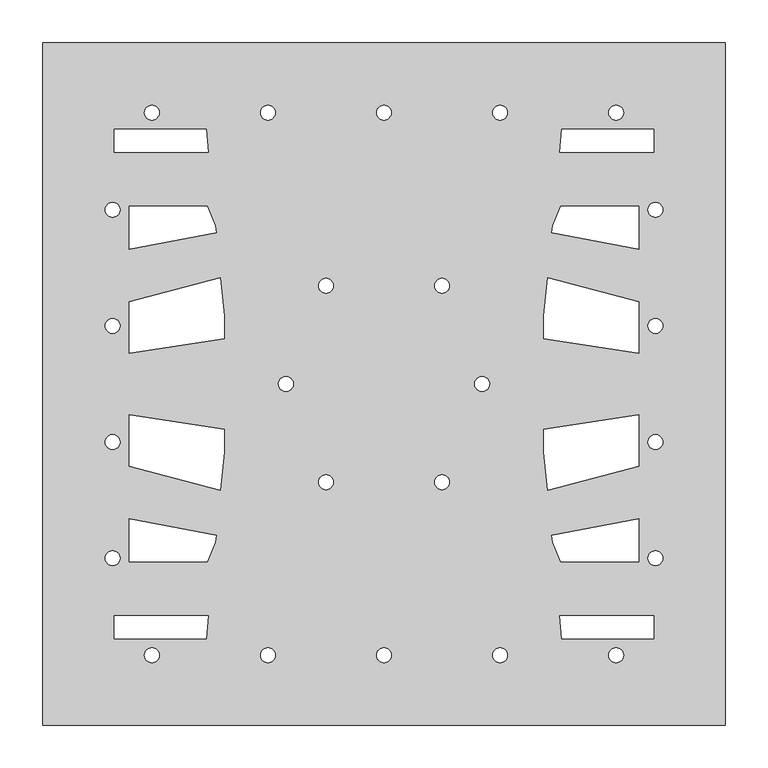
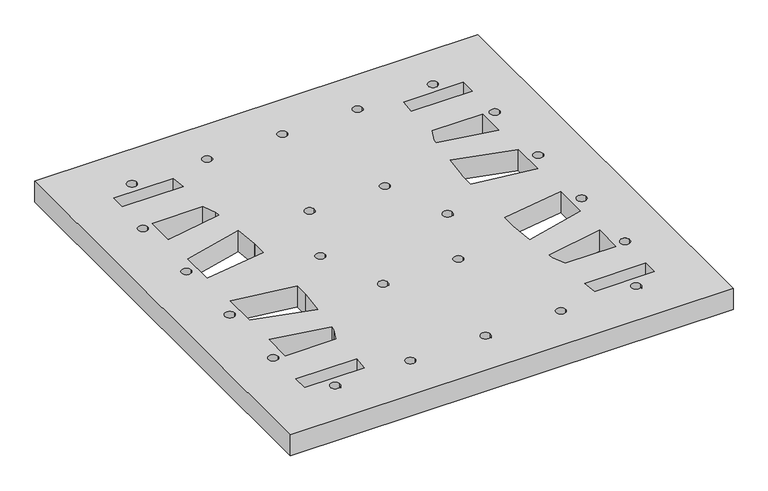
"""IFC4 building model written with IfcOpenShell, lengths in millimetres: proxy geometry."""

from ifc_helpers import new_model, si_unit, point, frame_2d, origin, origin_with_axes, place, context, project, spatial, polyline, circle_curve, trimmed, segment, composite_curve, outline, extrude, source, transform, mapped, element, save


def specialty_equipment_c3f35cbe(model_context):
    return source(origin(), model_context, "Body", "SweptSolid", [
        extrude(outline(polyline([(-757.5, 400.0), (-757.5, -400.0), (-1557.5, -400.0), (-1557.5, 400.0), (-757.5, 400.0)]), holes=[composite_curve([segment(trimmed(circle_curve(frame_2d((-839.5, 204.0)), 8.694), [point((-848.194, 204.0))], [point((-830.806, 204.0))], True, "CARTESIAN"), True, "CONTINUOUS"), segment(trimmed(circle_curve(frame_2d((-839.5, 204.0)), 8.694), [point((-830.806, 204.0))], [point((-848.194, 204.0))], True, "CARTESIAN"), True, "CONTINUOUS")], self_intersect=False), composite_curve([segment(trimmed(circle_curve(frame_2d((-839.5, 68.0)), 8.694), [point((-848.194, 68.0))], [point((-830.806, 68.0))], True, "CARTESIAN"), True, "CONTINUOUS"), segment(trimmed(circle_curve(frame_2d((-839.5, 68.0)), 8.694), [point((-830.806, 68.0))], [point((-848.194, 68.0))], True, "CARTESIAN"), True, "CONTINUOUS")], self_intersect=False), composite_curve([segment(trimmed(circle_curve(frame_2d((-839.5, -68.0)), 8.694), [point((-848.194, -68.0))], [point((-830.806, -68.0))], True, "CARTESIAN"), True, "CONTINUOUS"), segment(trimmed(circle_curve(frame_2d((-839.5, -68.0)), 8.694), [point((-830.806, -68.0))], [point((-848.194, -68.0))], True, "CARTESIAN"), True, "CONTINUOUS")], self_intersect=False), composite_curve([segment(trimmed(circle_curve(frame_2d((-839.5, -204.0)), 8.694), [point((-848.194, -204.0))], [point((-830.806, -204.0))], True, "CARTESIAN"), True, "CONTINUOUS"), segment(trimmed(circle_curve(frame_2d((-839.5, -204.0)), 8.694), [point((-830.806, -204.0))], [point((-848.194, -204.0))], True, "CARTESIAN"), True, "CONTINUOUS")], self_intersect=False), composite_curve([segment(trimmed(circle_curve(frame_2d((-885.5, 318.0)), 8.694), [point((-894.194, 318.0))], [point((-876.806, 318.0))], True, "CARTESIAN"), True, "CONTINUOUS"), segment(trimmed(circle_curve(frame_2d((-885.5, 318.0)), 8.694), [point((-876.806, 318.0))], [point((-894.194, 318.0))], True, "CARTESIAN"), True, "CONTINUOUS")], self_intersect=False), composite_curve([segment(trimmed(circle_curve(frame_2d((-885.5, -318.0)), 8.694), [point((-894.194, -318.0))], [point((-876.806, -318.0))], True, "CARTESIAN"), True, "CONTINUOUS"), segment(trimmed(circle_curve(frame_2d((-885.5, -318.0)), 8.694), [point((-876.806, -318.0))], [point((-894.194, -318.0))], True, "CARTESIAN"), True, "CONTINUOUS")], self_intersect=False), composite_curve([segment(trimmed(circle_curve(frame_2d((-1021.5, 318.0)), 8.694), [point((-1030.194, 318.0))], [point((-1012.806, 318.0))], True, "CARTESIAN"), True, "CONTINUOUS"), segment(trimmed(circle_curve(frame_2d((-1021.5, 318.0)), 8.694), [point((-1012.806, 318.0))], [point((-1030.194, 318.0))], True, "CARTESIAN"), True, "CONTINUOUS")], self_intersect=False), composite_curve([segment(trimmed(circle_curve(frame_2d((-1021.5, -318.0)), 8.694), [point((-1030.194, -318.0))], [point((-1012.806, -318.0))], True, "CARTESIAN"), True, "CONTINUOUS"), segment(trimmed(circle_curve(frame_2d((-1021.5, -318.0)), 8.694), [point((-1012.806, -318.0))], [point((-1030.194, -318.0))], True, "CARTESIAN"), True, "CONTINUOUS")], self_intersect=False), composite_curve([segment(trimmed(circle_curve(frame_2d((-1042.5, 0.0)), 8.694), [point((-1051.194, 0.0))], [point((-1033.806, 0.0))], True, "CARTESIAN"), True, "CONTINUOUS"), segment(trimmed(circle_curve(frame_2d((-1042.5, 0.0)), 8.694), [point((-1033.806, 0.0))], [point((-1051.194, 0.0))], True, "CARTESIAN"), True, "CONTINUOUS")], self_intersect=False), composite_curve([segment(trimmed(circle_curve(frame_2d((-1089.5, -115.0)), 8.694), [point((-1098.194, -115.0))], [point((-1080.806, -115.0))], True, "CARTESIAN"), True, "CONTINUOUS"), segment(trimmed(circle_curve(frame_2d((-1089.5, -115.0)), 8.694), [point((-1080.806, -115.0))], [point((-1098.194, -115.0))], True, "CARTESIAN"), True, "CONTINUOUS")], self_intersect=False), composite_curve([segment(trimmed(circle_curve(frame_2d((-1089.5, 115.0)), 8.694), [point((-1098.194, 115.0))], [point((-1080.806, 115.0))], True, "CARTESIAN"), True, "CONTINUOUS"), segment(trimmed(circle_curve(frame_2d((-1089.5, 115.0)), 8.694), [point((-1080.806, 115.0))], [point((-1098.194, 115.0))], True, "CARTESIAN"), True, "CONTINUOUS")], self_intersect=False), composite_curve([segment(trimmed(circle_curve(frame_2d((-1157.5, 318.0)), 8.694), [point((-1166.194, 318.0))], [point((-1148.806, 318.0))], True, "CARTESIAN"), True, "CONTINUOUS"), segment(trimmed(circle_curve(frame_2d((-1157.5, 318.0)), 8.694), [point((-1148.806, 318.0))], [point((-1166.194, 318.0))], True, "CARTESIAN"), True, "CONTINUOUS")], self_intersect=False), composite_curve([segment(trimmed(circle_curve(frame_2d((-1157.5, -318.0)), 8.694), [point((-1166.194, -318.0))], [point((-1148.806, -318.0))], True, "CARTESIAN"), True, "CONTINUOUS"), segment(trimmed(circle_curve(frame_2d((-1157.5, -318.0)), 8.694), [point((-1148.806, -318.0))], [point((-1166.194, -318.0))], True, "CARTESIAN"), True, "CONTINUOUS")], self_intersect=False), composite_curve([segment(trimmed(circle_curve(frame_2d((-1225.5, -115.0)), 8.694), [point((-1234.194, -115.0))], [point((-1216.806, -115.0))], True, "CARTESIAN"), True, "CONTINUOUS"), segment(trimmed(circle_curve(frame_2d((-1225.5, -115.0)), 8.694), [point((-1216.806, -115.0))], [point((-1234.194, -115.0))], True, "CARTESIAN"), True, "CONTINUOUS")], self_intersect=False), composite_curve([segment(trimmed(circle_curve(frame_2d((-1225.5, 115.0)), 8.694), [point((-1234.194, 115.0))], [point((-1216.806, 115.0))], True, "CARTESIAN"), True, "CONTINUOUS"), segment(trimmed(circle_curve(frame_2d((-1225.5, 115.0)), 8.694), [point((-1216.806, 115.0))], [point((-1234.194, 115.0))], True, "CARTESIAN"), True, "CONTINUOUS")], self_intersect=False), composite_curve([segment(trimmed(circle_curve(frame_2d((-1272.5, 0.0)), 8.694), [point((-1281.194, 0.0))], [point((-1263.806, 0.0))], True, "CARTESIAN"), True, "CONTINUOUS"), segment(trimmed(circle_curve(frame_2d((-1272.5, 0.0)), 8.694), [point((-1263.806, 0.0))], [point((-1281.194, 0.0))], True, "CARTESIAN"), True, "CONTINUOUS")], self_intersect=False), composite_curve([segment(trimmed(circle_curve(frame_2d((-1293.5, 318.0)), 8.694), [point((-1302.194, 318.0))], [point((-1284.806, 318.0))], True, "CARTESIAN"), True, "CONTINUOUS"), segment(trimmed(circle_curve(frame_2d((-1293.5, 318.0)), 8.694), [point((-1284.806, 318.0))], [point((-1302.194, 318.0))], True, "CARTESIAN"), True, "CONTINUOUS")], self_intersect=False), composite_curve([segment(trimmed(circle_curve(frame_2d((-1293.5, -318.0)), 8.694), [point((-1302.194, -318.0))], [point((-1284.806, -318.0))], True, "CARTESIAN"), True, "CONTINUOUS"), segment(trimmed(circle_curve(frame_2d((-1293.5, -318.0)), 8.694), [point((-1284.806, -318.0))], [point((-1302.194, -318.0))], True, "CARTESIAN"), True, "CONTINUOUS")], self_intersect=False), composite_curve([segment(trimmed(circle_curve(frame_2d((-1429.5, 318.0)), 8.694), [point((-1438.194, 318.0))], [point((-1420.806, 318.0))], True, "CARTESIAN"), True, "CONTINUOUS"), segment(trimmed(circle_curve(frame_2d((-1429.5, 318.0)), 8.694), [point((-1420.806, 318.0))], [point((-1438.194, 318.0))], True, "CARTESIAN"), True, "CONTINUOUS")], self_intersect=False), composite_curve([segment(trimmed(circle_curve(frame_2d((-1429.5, -318.0)), 8.694), [point((-1438.194, -318.0))], [point((-1420.806, -318.0))], True, "CARTESIAN"), True, "CONTINUOUS"), segment(trimmed(circle_curve(frame_2d((-1429.5, -318.0)), 8.694), [point((-1420.806, -318.0))], [point((-1438.194, -318.0))], True, "CARTESIAN"), True, "CONTINUOUS")], self_intersect=False), composite_curve([segment(trimmed(circle_curve(frame_2d((-1475.5, 204.0)), 8.694), [point((-1484.194, 204.0))], [point((-1466.806, 204.0))], True, "CARTESIAN"), True, "CONTINUOUS"), segment(trimmed(circle_curve(frame_2d((-1475.5, 204.0)), 8.694), [point((-1466.806, 204.0))], [point((-1484.194, 204.0))], True, "CARTESIAN"), True, "CONTINUOUS")], self_intersect=False), composite_curve([segment(trimmed(circle_curve(frame_2d((-1475.5, 68.0)), 8.694), [point((-1484.194, 68.0))], [point((-1466.806, 68.0))], True, "CARTESIAN"), True, "CONTINUOUS"), segment(trimmed(circle_curve(frame_2d((-1475.5, 68.0)), 8.694), [point((-1466.806, 68.0))], [point((-1484.194, 68.0))], True, "CARTESIAN"), True, "CONTINUOUS")], self_intersect=False), composite_curve([segment(trimmed(circle_curve(frame_2d((-1475.5, -68.0)), 8.694), [point((-1484.194, -68.0))], [point((-1466.806, -68.0))], True, "CARTESIAN"), True, "CONTINUOUS"), segment(trimmed(circle_curve(frame_2d((-1475.5, -68.0)), 8.694), [point((-1466.806, -68.0))], [point((-1484.194, -68.0))], True, "CARTESIAN"), True, "CONTINUOUS")], self_intersect=False), composite_curve([segment(trimmed(circle_curve(frame_2d((-1475.5, -204.0)), 8.694), [point((-1484.194, -204.0))], [point((-1466.806, -204.0))], True, "CARTESIAN"), True, "CONTINUOUS"), segment(trimmed(circle_curve(frame_2d((-1475.5, -204.0)), 8.694), [point((-1466.806, -204.0))], [point((-1484.194, -204.0))], True, "CARTESIAN"), True, "CONTINUOUS")], self_intersect=False), polyline([(-1365.9732323, -298.557), (-1363.366, -271.443), (-1473.557, -271.443), (-1473.557, -298.557), (-1365.9732323, -298.557)]), polyline([(-1473.557, 271.443), (-1363.366, 271.443), (-1365.9732323, 298.557), (-1473.557, 298.557), (-1473.557, 271.443)]), polyline([(-1355.076, -185.223), (-1354.288, -177.026), (-1456.057, -157.6387875), (-1456.057, -208.557), (-1364.82, -208.557), (-1355.076, -185.223)]), polyline([(-1456.057, 157.6387875), (-1354.288, 177.026), (-1355.076, 185.223), (-1364.82, 208.557), (-1456.057, 208.557), (-1456.057, 157.6387875)]), polyline([(-1344.943, -79.613), (-1344.943, -52.861), (-1456.057, -36.2665568), (-1456.057, -96.4815536), (-1349.261, -124.734), (-1344.964, -80.049), (-1344.943, -79.613)]), polyline([(-1344.943, 52.861), (-1344.943, 79.613), (-1344.964, 80.049), (-1349.261, 124.734), (-1456.057, 96.4815536), (-1456.057, 36.2665568), (-1344.943, 52.861)]), polyline([(-970.057, 52.861), (-858.943, 36.2665568), (-858.943, 96.4815536), (-965.739, 124.734), (-970.036, 80.049), (-970.057, 79.613), (-970.057, 52.861)]), polyline([(-858.943, -96.4815536), (-858.943, -36.2665568), (-970.057, -52.861), (-970.057, -79.613), (-970.036, -80.049), (-965.739, -124.734), (-858.943, -96.4815536)]), polyline([(-950.18, -208.557), (-858.943, -208.557), (-858.943, -157.6387875), (-960.712, -177.026), (-959.924, -185.223), (-950.18, -208.557)]), polyline([(-960.712, 177.026), (-858.943, 157.6387875), (-858.943, 208.557), (-950.18, 208.557), (-959.924, 185.223), (-960.712, 177.026)]), polyline([(-841.443, 271.443), (-841.443, 298.557), (-949.0267677, 298.557), (-951.634, 271.443), (-841.443, 271.443)]), polyline([(-949.0267677, -298.557), (-841.443, -298.557), (-841.443, -271.443), (-951.634, -271.443), (-949.0267677, -298.557)])]), origin_with_axes(), (0.0, 0.0, 1.0), 40.0),
    ])


if __name__ == "__main__":
    model = new_model("IFC4")
    model_context = context("Model", 3, world=origin())
    ifc_project = project(units=[si_unit("LENGTHUNIT", "METRE", prefix="MILLI")], contexts=[model_context])
    site = spatial("IfcSite", under=ifc_project)
    building = spatial("IfcBuilding", under=site)
    placement = place(None, origin())
    specialty_equipment_shape = specialty_equipment_c3f35cbe(model_context)
    element("IfcBuildingElementProxy", 1, Name="Specialty Equipment", at=placement, inside=building, context=model_context, shape_type="MappedRepresentation", body=[
        mapped(specialty_equipment_shape, transform((0.0, 0.0, 0.0), x_axis=(1.0, 0.0, 0.0), y_axis=(0.0, 1.0, 0.0), z_axis=(0.0, 0.0, 1.0))),
    ])
    save(model, "model.ifc")
